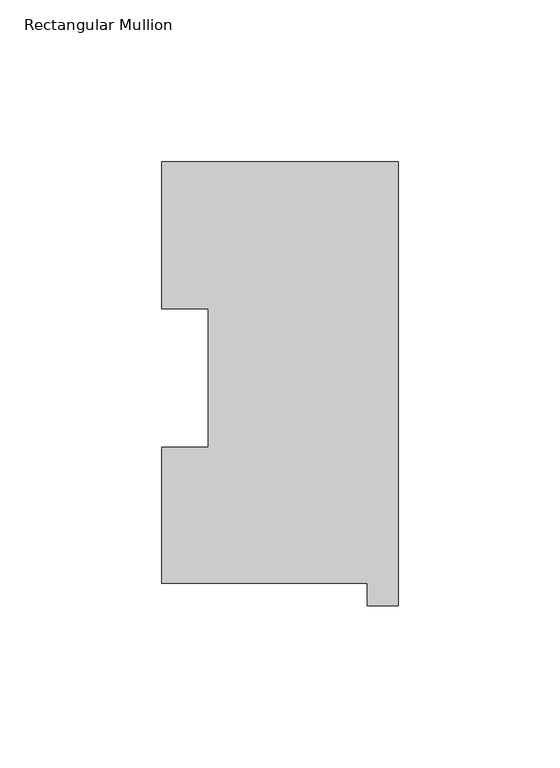
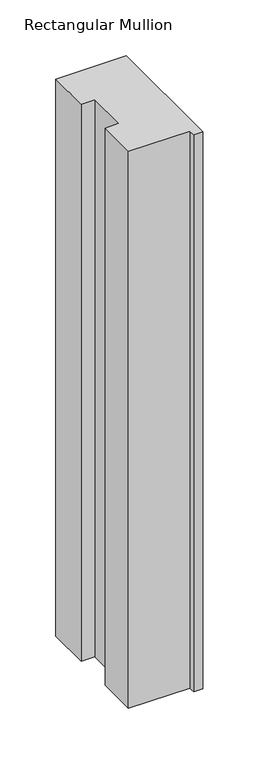
"""IFC4 building model written with IfcOpenShell, lengths in millimetres: member geometry, Rectangular Mullion."""

from ifc_helpers import new_model, si_unit, frame, origin, place, context, project, spatial, polyline, outline, extrude, source, transform, mapped, element, save


def rectangular_mullion_a74a1154(model_context):
    return source(origin(), model_context, "Body", "SweptSolid", [
        extrude(outline(polyline([(-73.025, 137.1925438), (0.0, 137.1925438), (0.0, -0.0182562), (-9.525, -0.0182562), (-9.525, 6.8905438), (-73.025, 6.8905438), (-73.025, 48.9275438), (-58.7502, 48.9275438), (-58.7502, 91.7773437), (-73.025, 91.7773438), (-73.025, 137.1925438)])), frame((0.0, 0.0, -609.5976187), z_axis=(0.0, 0.0, 1.0), x_axis=(1.0, 0.0, 0.0)), (0.0, 0.0, 1.0), 609.5976187),
    ])


if __name__ == "__main__":
    model = new_model("IFC4")
    model_context = context("Model", 3, world=origin())
    ifc_project = project(units=[si_unit("LENGTHUNIT", "METRE", prefix="MILLI")], contexts=[model_context])
    site = spatial("IfcSite", under=ifc_project)
    building = spatial("IfcBuilding", under=site)
    placement = place(None, origin())
    rectangular_mullion_shape = rectangular_mullion_a74a1154(model_context)
    element("IfcMember", 1, ObjectType="Rectangular Mullion", at=placement, inside=building, context=model_context, shape_type="MappedRepresentation", body=[
        mapped(rectangular_mullion_shape, transform((0.0, 0.0, 0.0), x_axis=(1.0, 0.0, 0.0), y_axis=(0.0, 1.0, 0.0), z_axis=(0.0, 0.0, 1.0))),
    ])
    save(model, "model.ifc")
